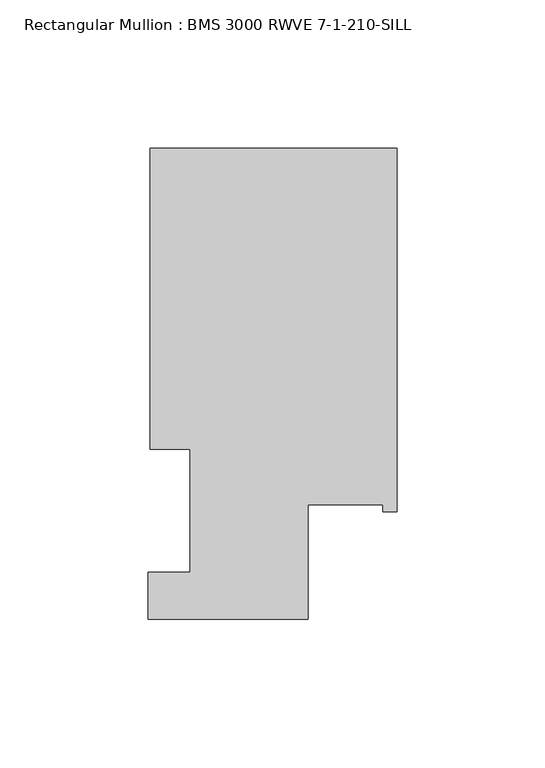
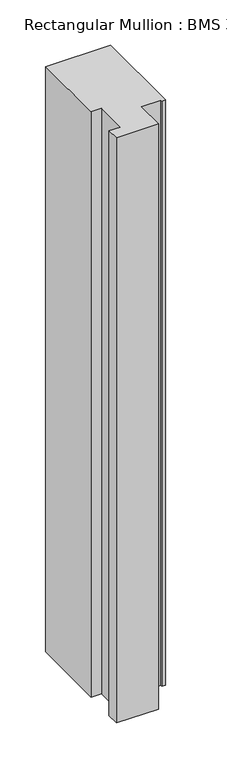
"""IFC4 building model written with IfcOpenShell, lengths in millimetres: member geometry, Rectangular Mullion : BMS 3000 RWVE 7-1-210-SILL."""

from ifc_helpers import new_model, si_unit, frame, origin, place, context, project, spatial, polyline, outline, extrude, source, transform, mapped, element, save


def rectangular_mullion_bms_3000_rwve_7_1_210_sill_665a7c22(model_context):
    return source(origin(), model_context, "Body", "SweptSolid", [
        extrude(outline(polyline([(-83.3501, 101.6), (0.0, 101.6), (0.0, -21.1074), (-4.7625, -21.1074), (-4.7625, -18.7198), (-30.1625, -18.7198), (-30.1625, -57.5056), (-84.1375, -57.5056), (-84.1375, -41.6306), (-69.85, -41.6306), (-69.85, 0.0), (-83.3501, 0.0), (-83.3501, 101.6)])), frame((0.0, 0.0, -793.6927963), z_axis=(0.0, 0.0, 1.0), x_axis=(1.0, 0.0, 0.0)), (0.0, 0.0, 1.0), 793.6927963),
    ])


if __name__ == "__main__":
    model = new_model("IFC4")
    model_context = context("Model", 3, world=origin())
    ifc_project = project(units=[si_unit("LENGTHUNIT", "METRE", prefix="MILLI")], contexts=[model_context])
    site = spatial("IfcSite", under=ifc_project)
    building = spatial("IfcBuilding", under=site)
    placement = place(None, origin())
    rectangular_mullion_bms_3000_rwve_7_1_210_sill_shape = rectangular_mullion_bms_3000_rwve_7_1_210_sill_665a7c22(model_context)
    element("IfcMember", 1, ObjectType="Rectangular Mullion : BMS 3000 RWVE 7-1-210-SILL", at=placement, inside=building, context=model_context, shape_type="MappedRepresentation", body=[
        mapped(rectangular_mullion_bms_3000_rwve_7_1_210_sill_shape, transform((0.0, 0.0, 0.0), x_axis=(1.0, 0.0, 0.0), y_axis=(0.0, 1.0, 0.0), z_axis=(0.0, 0.0, 1.0))),
    ])
    save(model, "model.ifc")
